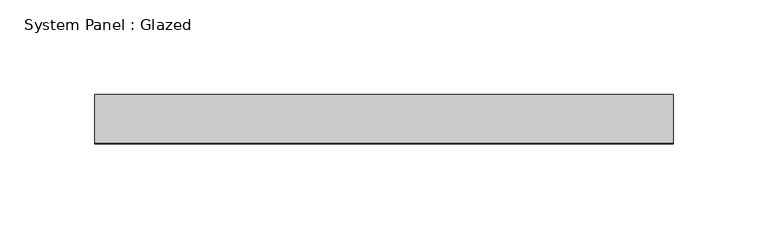
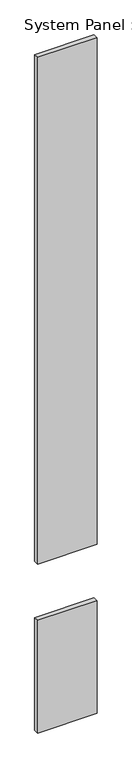
"""IFC4 building model written with IfcOpenShell, lengths in millimetres: plate geometry, System Panel : Glazed."""

from ifc_helpers import new_model, si_unit, frame, origin, origin_with_axes, place, context, project, spatial, polyline, outline, extrude, source, transform, mapped, element, save


def system_panel_glazed_6388ba79(model_context):
    return source(origin(), model_context, "Body", "SweptSolid", [
        extrude(outline(polyline([(152.3999998, 19.05), (-152.3999998, 19.05), (-152.3999998, 44.45), (152.3999998, 44.45), (152.3999998, 19.05)])), frame((0.0, 0.0, 914.4), z_axis=(0.0, 0.0, 1.0), x_axis=(1.0, 0.0, 0.0)), (0.0, 0.0, 1.0), 2743.2),
        extrude(outline(polyline([(152.3999998, 19.05), (-152.3999998, 19.05), (-152.3999998, 44.45), (152.3999998, 44.45), (152.3999998, 19.05)])), origin_with_axes(), (0.0, 0.0, 1.0), 609.6),
    ])


if __name__ == "__main__":
    model = new_model("IFC4")
    model_context = context("Model", 3, world=origin())
    ifc_project = project(units=[si_unit("LENGTHUNIT", "METRE", prefix="MILLI")], contexts=[model_context])
    site = spatial("IfcSite", under=ifc_project)
    building = spatial("IfcBuilding", under=site)
    placement = place(None, origin())
    system_panel_glazed_shape = system_panel_glazed_6388ba79(model_context)
    element("IfcPlate", 1, ObjectType="System Panel : Glazed", at=placement, inside=building, context=model_context, shape_type="MappedRepresentation", body=[
        mapped(system_panel_glazed_shape, transform((0.0, 0.0, 0.0), x_axis=(1.0, 0.0, 0.0), y_axis=(0.0, 1.0, 0.0), z_axis=(0.0, 0.0, 1.0))),
    ])
    save(model, "model.ifc")
